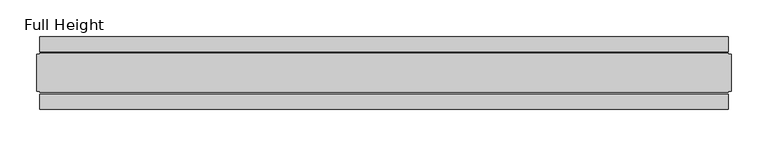
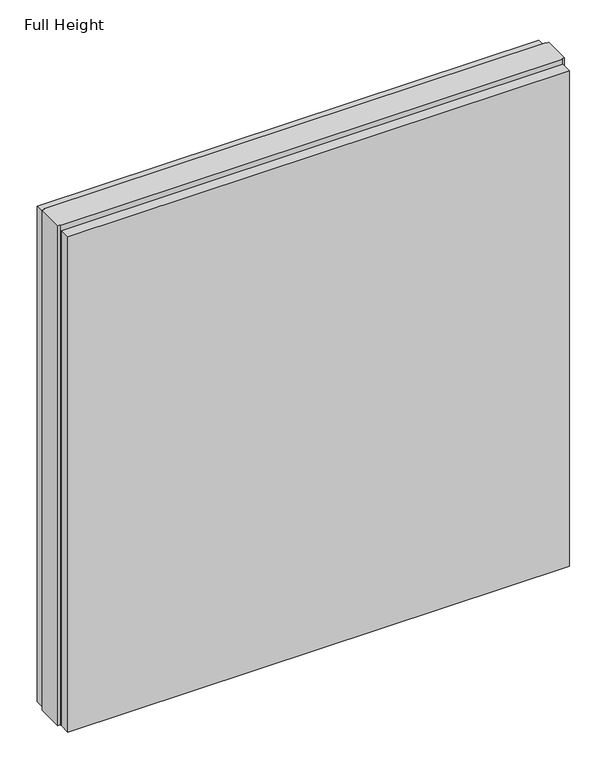
"""IFC4 building model written with IfcOpenShell, lengths in millimetres: plate geometry, Full Height."""

from ifc_helpers import new_model, si_unit, origin, origin_with_axes, place, context, project, spatial, polyline, outline, extrude, source, transform, mapped, element, save


def full_height_97222568(model_context):
    return source(origin(), model_context, "Body", "SweptSolid", [
        extrude(outline(polyline([(470.0875405, 28.956), (-470.0875405, 28.956), (-470.0875405, 49.53), (470.0875405, 49.53), (470.0875405, 28.956)])), origin_with_axes(), (0.0, 0.0, 1.0), 981.456),
        extrude(outline(polyline([(470.0875405, -28.956), (470.0875405, -49.53), (-470.0875405, -49.53), (-470.0875405, -28.956), (470.0875405, -28.956)])), origin_with_axes(), (0.0, 0.0, 1.0), 981.456),
        extrude(outline(polyline([(470.0875405, -25.146), (470.0875405, -26.67), (-470.0875405, -26.67), (-470.0875405, -25.146), (-474.6595405, -25.146), (-474.6595405, 25.146), (-470.0875405, 25.146), (-470.0875405, 26.67), (470.0875405, 26.67), (470.0875405, 25.146), (474.6595405, 25.146), (474.6595405, -25.146), (470.0875405, -25.146)])), origin_with_axes(), (0.0, 0.0, 1.0), 990.6),
    ])


if __name__ == "__main__":
    model = new_model("IFC4")
    model_context = context("Model", 3, world=origin())
    ifc_project = project(units=[si_unit("LENGTHUNIT", "METRE", prefix="MILLI")], contexts=[model_context])
    site = spatial("IfcSite", under=ifc_project)
    building = spatial("IfcBuilding", under=site)
    placement = place(None, origin())
    full_height_shape = full_height_97222568(model_context)
    element("IfcPlate", 1, ObjectType="Full Height", at=placement, inside=building, context=model_context, shape_type="MappedRepresentation", body=[
        mapped(full_height_shape, transform((0.0, 0.0, 0.0), x_axis=(1.0, 0.0, 0.0), y_axis=(0.0, 1.0, 0.0), z_axis=(0.0, 0.0, 1.0))),
    ])
    save(model, "model.ifc")
